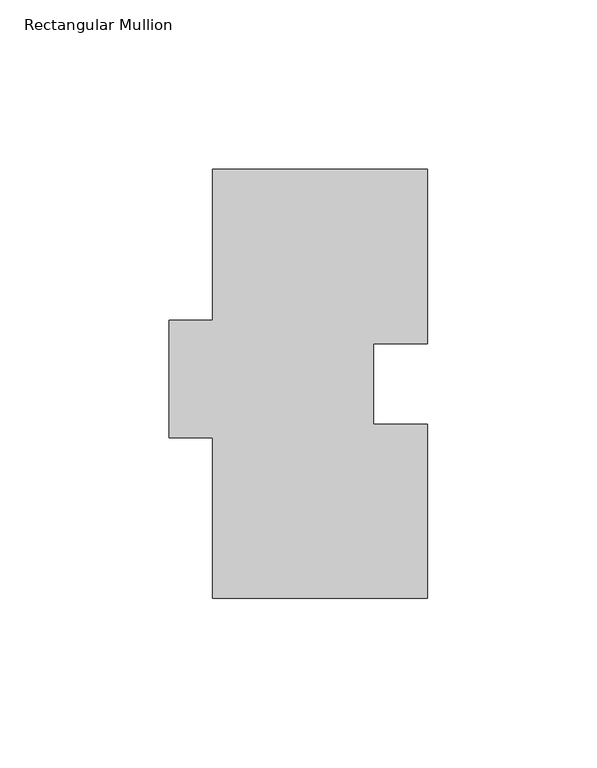
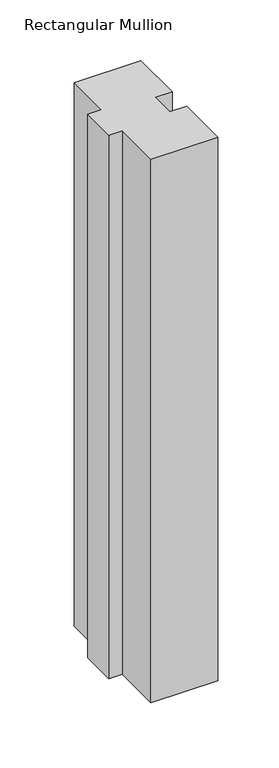
"""IFC4 building model written with IfcOpenShell, lengths in millimetres: member geometry, Rectangular Mullion."""

from ifc_helpers import new_model, si_unit, frame, origin, place, context, project, spatial, polyline, outline, extrude, source, transform, mapped, element, save


def rectangular_mullion_96813be2(model_context):
    return source(origin(), model_context, "Body", "SweptSolid", [
        extrude(outline(polyline([(-63.5, 126.7023438), (0.0, 126.7023438), (0.0, 75.3562438), (-15.875, 75.3562438), (-15.875, 51.5564438), (0.0, 51.5564438), (0.0, 0.2103438), (-63.5, 0.2103438), (-63.5, 47.5813438), (-76.2, 47.5813438), (-76.2, 82.2523438), (-63.5, 82.2523438), (-63.5, 126.7023438)])), frame((0.0, 0.0, -546.1), z_axis=(0.0, 0.0, 1.0), x_axis=(1.0, 0.0, 0.0)), (0.0, 0.0, 1.0), 546.1),
    ])


if __name__ == "__main__":
    model = new_model("IFC4")
    model_context = context("Model", 3, world=origin())
    ifc_project = project(units=[si_unit("LENGTHUNIT", "METRE", prefix="MILLI")], contexts=[model_context])
    site = spatial("IfcSite", under=ifc_project)
    building = spatial("IfcBuilding", under=site)
    placement = place(None, origin())
    rectangular_mullion_shape = rectangular_mullion_96813be2(model_context)
    element("IfcMember", 1, ObjectType="Rectangular Mullion", at=placement, inside=building, context=model_context, shape_type="MappedRepresentation", body=[
        mapped(rectangular_mullion_shape, transform((0.0, 0.0, 0.0), x_axis=(1.0, 0.0, 0.0), y_axis=(0.0, 1.0, 0.0), z_axis=(0.0, 0.0, 1.0))),
    ])
    save(model, "model.ifc")
